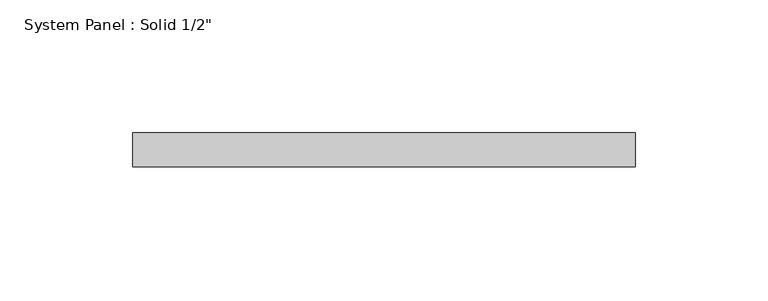
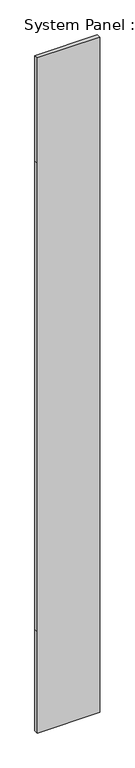
"""IFC4 building model written with IfcOpenShell, lengths in millimetres: plate geometry."""

from ifc_helpers import new_model, si_unit, frame, origin, place, context, project, spatial, polyline, outline, extrude, source, transform, mapped, element, save


def plate_a64f4d81(model_context):
    return source(origin(), model_context, "Body", "SweptSolid", [
        extrude(outline(polyline([(0.0, -94.4214648), (0.0, 94.4214648), (323.85, 94.4214648), (1822.45, 94.4214648), (2159.0, 94.4214648), (2159.0, -94.4214648), (1822.45, -94.4214648), (323.85, -94.4214648), (0.0, -94.4214648)])), frame((0.0, -6.35, 0.0), z_axis=(0.0, 1.0, 0.0), x_axis=(0.0, 0.0, 1.0)), (0.0, 0.0, 1.0), 12.7),
    ])


if __name__ == "__main__":
    model = new_model("IFC4")
    model_context = context("Model", 3, world=origin())
    ifc_project = project(units=[si_unit("LENGTHUNIT", "METRE", prefix="MILLI")], contexts=[model_context])
    site = spatial("IfcSite", under=ifc_project)
    building = spatial("IfcBuilding", under=site)
    placement = place(None, origin())
    plate_shape = plate_a64f4d81(model_context)
    element("IfcPlate", 1, ObjectType="System Panel : Solid 1/2\"", at=placement, inside=building, context=model_context, shape_type="MappedRepresentation", body=[
        mapped(plate_shape, transform((0.0, 0.0, 0.0), x_axis=(1.0, 0.0, 0.0), y_axis=(0.0, 1.0, 0.0), z_axis=(0.0, 0.0, 1.0))),
    ])
    save(model, "model.ifc")
